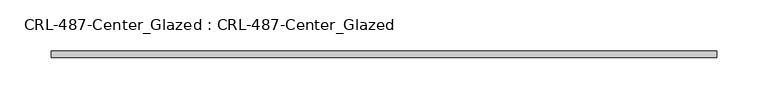
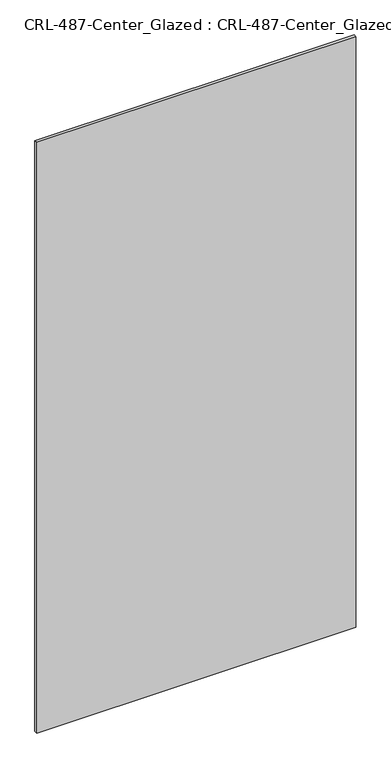
"""IFC4 building model written with IfcOpenShell, lengths in millimetres: plate geometry, CRL-487-Center_Glazed : CRL-487-Center_Glazed."""

from ifc_helpers import new_model, si_unit, origin, origin_with_axes, place, context, project, spatial, polyline, outline, extrude, source, transform, mapped, element, save


def crl_487_center_glazed_crl_487_center_glazed_0eda9838(model_context):
    return source(origin(), model_context, "Body", "SweptSolid", [
        extrude(outline(polyline([(323.85635, -3.1749999), (-323.85635, -3.1749999), (-323.85635, 3.1749999), (323.85635, 3.1749999), (323.85635, -3.1749999)])), origin_with_axes(), (0.0, 0.0, 1.0), 1266.825),
    ])


if __name__ == "__main__":
    model = new_model("IFC4")
    model_context = context("Model", 3, world=origin())
    ifc_project = project(units=[si_unit("LENGTHUNIT", "METRE", prefix="MILLI")], contexts=[model_context])
    site = spatial("IfcSite", under=ifc_project)
    building = spatial("IfcBuilding", under=site)
    placement = place(None, origin())
    crl_487_center_glazed_crl_487_center_glazed_shape = crl_487_center_glazed_crl_487_center_glazed_0eda9838(model_context)
    element("IfcPlate", 1, ObjectType="CRL-487-Center_Glazed : CRL-487-Center_Glazed", at=placement, inside=building, context=model_context, shape_type="MappedRepresentation", body=[
        mapped(crl_487_center_glazed_crl_487_center_glazed_shape, transform((0.0, 0.0, 0.0), x_axis=(1.0, 0.0, 0.0), y_axis=(0.0, 1.0, 0.0), z_axis=(0.0, 0.0, 1.0))),
    ])
    save(model, "model.ifc")
